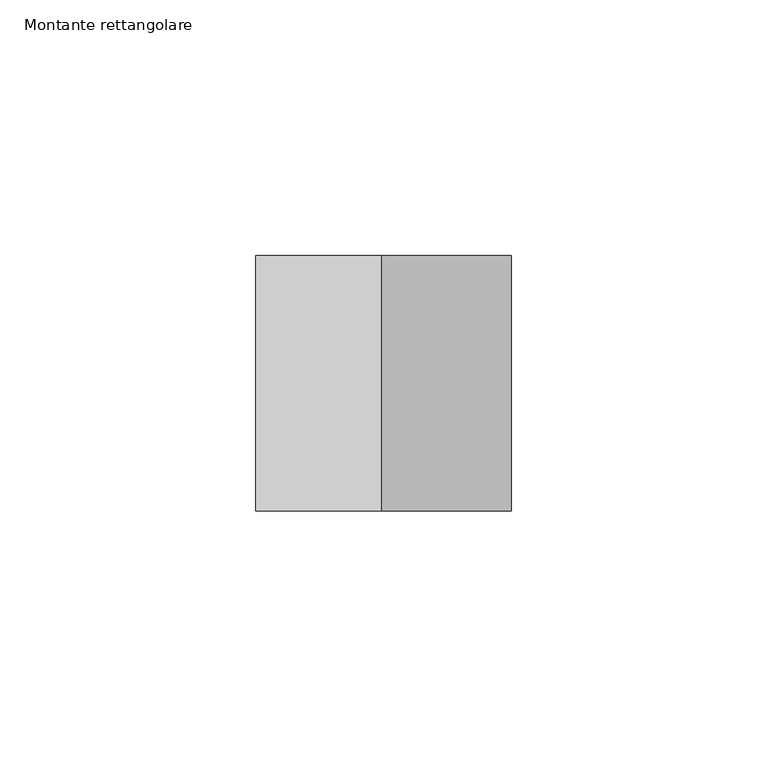
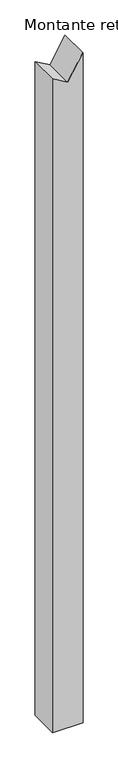
"""IFC4 building model written with IfcOpenShell, lengths in millimetres: member geometry, Montante rettangolare."""

from ifc_helpers import new_model, si_unit, frame, origin, place, context, project, spatial, polyline, outline, extrude, source, transform, mapped, element, save


def montante_rettangolare_10f297cd(model_context):
    return source(origin(), model_context, "Body", "SweptSolid", [
        extrude(outline(polyline([(50.0, 0.0), (6.918542, -25.3769181), (21.4226456, -50.0), (-1116.3950643, -50.0), (-1116.3950643, 0.0), (50.0, 0.0)])), frame((0.0, -25.0, 0.0), z_axis=(0.0, 1.0, 0.0), x_axis=(0.0, 0.0, 1.0)), (0.0, 0.0, 1.0), 50.0),
    ])


if __name__ == "__main__":
    model = new_model("IFC4")
    model_context = context("Model", 3, world=origin())
    ifc_project = project(units=[si_unit("LENGTHUNIT", "METRE", prefix="MILLI")], contexts=[model_context])
    site = spatial("IfcSite", under=ifc_project)
    building = spatial("IfcBuilding", under=site)
    placement = place(None, origin())
    montante_rettangolare_shape = montante_rettangolare_10f297cd(model_context)
    element("IfcMember", 1, ObjectType="Montante rettangolare", at=placement, inside=building, context=model_context, shape_type="MappedRepresentation", body=[
        mapped(montante_rettangolare_shape, transform((0.0, 0.0, 0.0), x_axis=(1.0, 0.0, 0.0), y_axis=(0.0, 1.0, 0.0), z_axis=(0.0, 0.0, 1.0))),
    ])
    save(model, "model.ifc")
